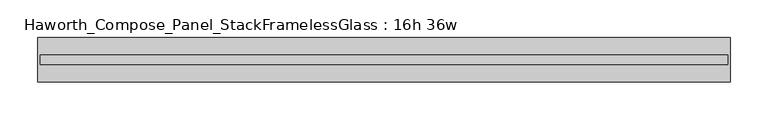
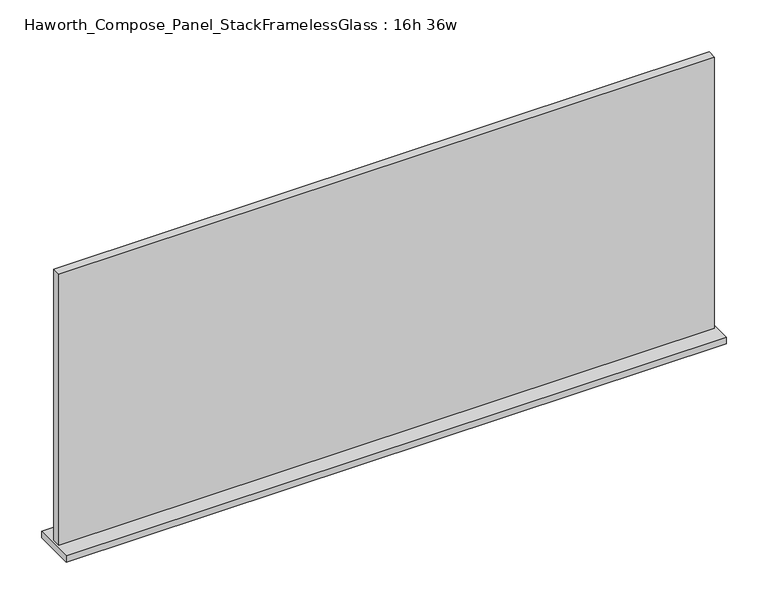
"""IFC4 building model written with IfcOpenShell, lengths in millimetres: furniture geometry, Haworth_Compose_Panel_StackFramelessGlass : 16h 36w."""

from ifc_helpers import new_model, si_unit, frame, origin, place, context, project, spatial, polyline, outline, extrude, source, transform, mapped, element, save


def haworth_compose_panel_stackframelessglass_16h_36w_091f304e(model_context):
    return source(origin(), model_context, "Body", "SweptSolid", [
        extrude(outline(polyline([(456.4652902, -27.3093594), (-451.5847098, -27.3093594), (-451.5847098, -14.6093594), (456.4652902, -14.6093594), (456.4652902, -27.3093594)])), frame((0.0, 0.0, 1279.525), z_axis=(0.0, 0.0, 1.0), x_axis=(1.0, 0.0, 0.0)), (0.0, 0.0, 1.0), 396.875),
        extrude(outline(polyline([(-454.7597098, -50.3281094), (-454.7597098, 8.4093906), (459.6402902, 8.4093906), (459.6402902, -50.3281094), (-454.7597098, -50.3281094)])), frame((0.0, 0.0, 1270.0), z_axis=(0.0, 0.0, 1.0), x_axis=(1.0, 0.0, 0.0)), (0.0, 0.0, 1.0), 9.525),
    ])


if __name__ == "__main__":
    model = new_model("IFC4")
    model_context = context("Model", 3, world=origin())
    ifc_project = project(units=[si_unit("LENGTHUNIT", "METRE", prefix="MILLI")], contexts=[model_context])
    site = spatial("IfcSite", under=ifc_project)
    building = spatial("IfcBuilding", under=site)
    placement = place(None, origin())
    haworth_compose_panel_stackframelessglass_16h_36w_shape = haworth_compose_panel_stackframelessglass_16h_36w_091f304e(model_context)
    element("IfcFurniture", 1, ObjectType="Haworth_Compose_Panel_StackFramelessGlass : 16h 36w", at=placement, inside=building, context=model_context, shape_type="MappedRepresentation", body=[
        mapped(haworth_compose_panel_stackframelessglass_16h_36w_shape, transform((0.0, 0.0, 0.0), x_axis=(1.0, 0.0, 0.0), y_axis=(0.0, 1.0, 0.0), z_axis=(0.0, 0.0, 1.0))),
    ])
    save(model, "model.ifc")
